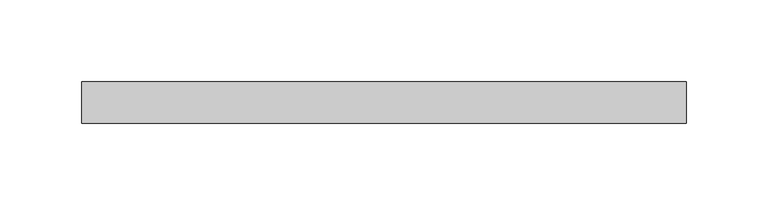
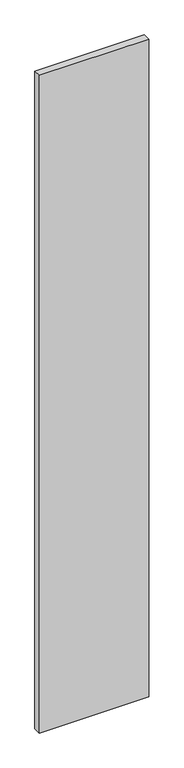
"""IFC4 building model written with IfcOpenShell, lengths in millimetres: plate geometry."""

from ifc_helpers import new_model, si_unit, origin, origin_with_axes, place, context, project, spatial, polyline, outline, extrude, source, transform, mapped, element, save


def plate_5bea9b26(model_context):
    return source(origin(), model_context, "Body", "SweptSolid", [
        extrude(outline(polyline([(184.9033203, 12.7), (184.9033203, -12.7), (-184.9033203, -12.7), (-184.9033203, 12.7), (184.9033203, 12.7)])), origin_with_axes(), (0.0, 0.0, 1.0), 2348.4),
    ])


if __name__ == "__main__":
    model = new_model("IFC4")
    model_context = context("Model", 3, world=origin())
    ifc_project = project(units=[si_unit("LENGTHUNIT", "METRE", prefix="MILLI")], contexts=[model_context])
    site = spatial("IfcSite", under=ifc_project)
    building = spatial("IfcBuilding", under=site)
    placement = place(None, origin())
    plate_shape = plate_5bea9b26(model_context)
    element("IfcPlate", 1, at=placement, inside=building, context=model_context, shape_type="MappedRepresentation", body=[
        mapped(plate_shape, transform((0.0, 0.0, 0.0), x_axis=(1.0, 0.0, 0.0), y_axis=(0.0, 1.0, 0.0), z_axis=(0.0, 0.0, 1.0))),
    ])
    save(model, "model.ifc")
